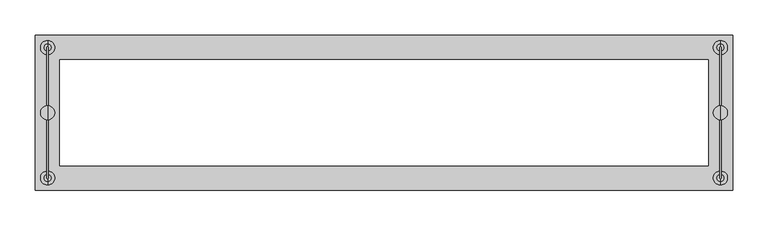
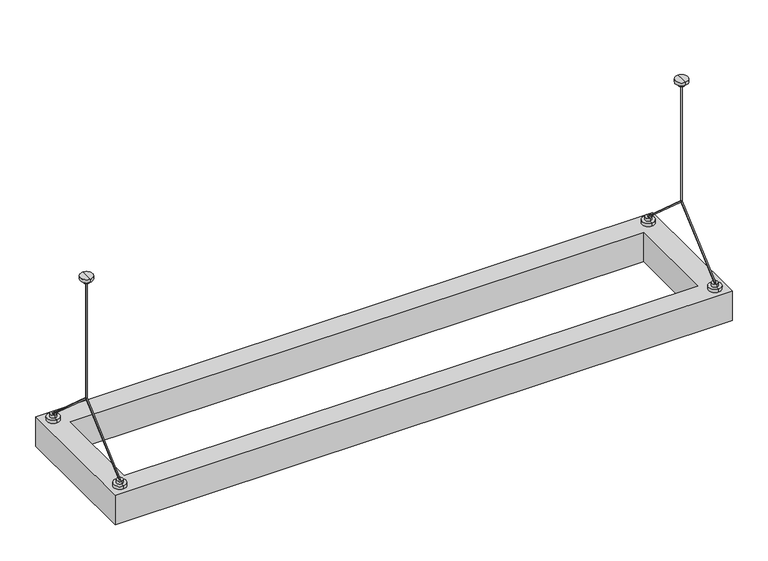
"""IFC4 building model written with IfcOpenShell, lengths in millimetres: light fixture geometry."""

from ifc_helpers import new_model, si_unit, frame, origin, place, context, project, spatial, polyline, circle_curve, ellipse_curve, outline, extrude, source, transform, mapped, element, save
from ifc_brep_helpers import plane_surface, cylinder_surface, advanced_brep


def light_fixture_5dfe9546(model_context):
    return source(origin(), model_context, "Body", "SolidModel", [
        advanced_brep(
        [(853.5, 0.0, -10.0), (853.5, 0.0, -207.5), (851.5, 0.0, -207.5), (851.5, 0.0, -10.0), (852.5, 1.0, -10.0), (852.5, -1.0, -10.0), (853.5, -92.5, -290.0), (852.5, -90.9976297, -290.0), (851.5, -92.5, -290.0), (851.5, 92.5, -290.0), (852.5, 90.9976297, -290.0), (853.5, 92.5, -290.0), (852.5, 82.5, -300.0), (852.5, 102.5, -300.0), (852.5, 92.5, -300.0), (852.5, 82.5, -295.0), (852.5, 102.5, -295.0), (852.5, 87.5, -295.0), (852.5, 97.5, -295.0), (852.5, 87.5, -290.0), (852.5, 97.5, -290.0), (852.5, 93.5, -290.0), (852.5, -102.5, -300.0), (852.5, -82.5, -300.0), (852.5, -92.5, -300.0), (852.5, -102.5, -295.0), (852.5, -82.5, -295.0), (852.5, -97.5, -295.0), (852.5, -87.5, -295.0), (852.5, -97.5, -290.0), (852.5, -87.5, -290.0), (852.5, -93.5, -290.0), (852.5, -5.0, -10.0), (852.5, 5.0, -10.0), (852.5, -5.0, -5.0), (852.5, 5.0, -5.0), (852.5, -10.0, -5.0), (852.5, 10.0, -5.0), (852.5, -10.0, 0.0), (852.5, 10.0, 0.0), (852.5, 0.0, 0.0)],
        [
            (0, 1),
            (1, 2, ellipse_curve(frame((852.5, 0.0, -207.5), z_axis=(0.0, -0.40889188854854597, 0.912582831023685), x_axis=(0.0, 0.9125828310236851, 0.4088918885485457)), 1.0957909, 1.0)),
            (2, 3),
            (3, 4, circle_curve(frame((852.5, 0.0, -10.0), z_axis=(0.0, 0.0, -1.0), x_axis=(1.0, 0.0, 0.0)), 1.0)),
            (4, 0, circle_curve(frame((852.5, 0.0, -10.0), z_axis=(0.0, 0.0, -1.0), x_axis=(1.0, 0.0, 0.0)), 1.0)),
            (0, 5, circle_curve(frame((852.5, 0.0, -10.0), z_axis=(0.0, 0.0, -1.0), x_axis=(1.0, 0.0, 0.0)), 1.0)),
            (5, 3, circle_curve(frame((852.5, 0.0, -10.0), z_axis=(0.0, 0.0, -1.0), x_axis=(1.0, 0.0, 0.0)), 1.0)),
            (2, 1, ellipse_curve(frame((852.5, 0.0, -207.5), z_axis=(0.0, 0.4088918885485265, 0.9125828310236938), x_axis=(0.0, -0.9125828310236939, 0.4088918885485263)), 1.0957909, 1.0)),
            (1, 6),
            (6, 7, ellipse_curve(frame((852.5, -92.5, -290.0), z_axis=(0.0, 0.0, 1.0), x_axis=(0.0, 0.9999999999999999, 0.0)), 1.5023703, 1.0)),
            (7, 8, ellipse_curve(frame((852.5, -92.5, -290.0), z_axis=(0.0, 0.0, 1.0), x_axis=(0.0, 0.9999999999999999, 0.0)), 1.5023703, 1.0)),
            (8, 2),
            (2, 1, ellipse_curve(frame((852.5, 0.0, -207.5), z_axis=(0.0, -0.9999999999999999, 0.0), x_axis=(0.0, 0.0, 1.0)), 1.3399519, 1.0)),
            (8, 6, ellipse_curve(frame((852.5, -92.5, -290.0), z_axis=(0.0, 0.4088918885485264, 0.9125828310236938), x_axis=(0.0, 0.9125828310236936, -0.4088918885485264)), 1.0957909, 1.0)),
            (2, 9),
            (9, 10, ellipse_curve(frame((852.5, 92.5, -290.0), z_axis=(0.0, 0.0, 1.0), x_axis=(0.0, -1.0, 0.0)), 1.5023703, 1.0)),
            (10, 11, ellipse_curve(frame((852.5, 92.5, -290.0), z_axis=(0.0, 0.0, 1.0), x_axis=(0.0, -1.0, 0.0)), 1.5023703, 1.0)),
            (11, 1),
            (11, 9, ellipse_curve(frame((852.5, 92.5, -290.0), z_axis=(0.0, -0.4088918885485461, 0.912582831023685), x_axis=(0.0, -0.9125828310236849, -0.40889188854854636)), 1.0957909, 1.0)),
            (12, 13, circle_curve(frame((852.5, 92.5, -300.0), z_axis=(0.0, 0.0, -1.0), x_axis=(0.0, 1.0, 0.0)), 10.0)),
            (13, 14),
            (14, 12),
            (13, 12, circle_curve(frame((852.5, 92.5, -300.0), z_axis=(0.0, 0.0, -1.0), x_axis=(0.0, 1.0, 0.0)), 10.0)),
            (12, 15),
            (15, 16, circle_curve(frame((852.5, 92.5, -295.0), z_axis=(0.0, 0.0, -1.0), x_axis=(0.0, 1.0, 0.0)), 10.0)),
            (16, 13),
            (16, 15, circle_curve(frame((852.5, 92.5, -295.0), z_axis=(0.0, 0.0, -1.0), x_axis=(0.0, 1.0, 0.0)), 10.0)),
            (15, 17),
            (17, 18, circle_curve(frame((852.5, 92.5, -295.0), z_axis=(0.0, 0.0, -1.0), x_axis=(0.0, 1.0, 0.0)), 5.0)),
            (18, 16),
            (18, 17, circle_curve(frame((852.5, 92.5, -295.0), z_axis=(0.0, 0.0, -1.0), x_axis=(0.0, 1.0, 0.0)), 5.0)),
            (17, 19),
            (19, 20, circle_curve(frame((852.5, 92.5, -290.0), z_axis=(0.0, 0.0, -1.0), x_axis=(0.0, 1.0, 0.0)), 5.0)),
            (20, 18),
            (20, 19, circle_curve(frame((852.5, 92.5, -290.0), z_axis=(0.0, 0.0, -1.0), x_axis=(0.0, 1.0, 0.0)), 5.0)),
            (19, 10),
            (9, 21, circle_curve(frame((852.5, 92.5, -290.0), z_axis=(0.0, 0.0, -1.0), x_axis=(1.0, 0.0, 0.0)), 1.0)),
            (21, 20),
            (21, 11, circle_curve(frame((852.5, 92.5, -290.0), z_axis=(0.0, 0.0, -1.0), x_axis=(1.0, 0.0, 0.0)), 1.0)),
            (22, 23, circle_curve(frame((852.5, -92.5, -300.0), z_axis=(0.0, 0.0, -1.0), x_axis=(0.0, 1.0, 0.0)), 10.0)),
            (23, 24),
            (24, 22),
            (23, 22, circle_curve(frame((852.5, -92.5, -300.0), z_axis=(0.0, 0.0, -1.0), x_axis=(0.0, 1.0, 0.0)), 10.0)),
            (22, 25),
            (25, 26, circle_curve(frame((852.5, -92.5, -295.0), z_axis=(0.0, 0.0, -1.0), x_axis=(0.0, 1.0, 0.0)), 10.0)),
            (26, 23),
            (26, 25, circle_curve(frame((852.5, -92.5, -295.0), z_axis=(0.0, 0.0, -1.0), x_axis=(0.0, 1.0, 0.0)), 10.0)),
            (25, 27),
            (27, 28, circle_curve(frame((852.5, -92.5, -295.0), z_axis=(0.0, 0.0, -1.0), x_axis=(0.0, 1.0, 0.0)), 5.0)),
            (28, 26),
            (28, 27, circle_curve(frame((852.5, -92.5, -295.0), z_axis=(0.0, 0.0, -1.0), x_axis=(0.0, 1.0, 0.0)), 5.0)),
            (27, 29),
            (29, 30, circle_curve(frame((852.5, -92.5, -290.0), z_axis=(0.0, 0.0, -1.0), x_axis=(0.0, 1.0, 0.0)), 5.0)),
            (30, 28),
            (30, 29, circle_curve(frame((852.5, -92.5, -290.0), z_axis=(0.0, 0.0, -1.0), x_axis=(0.0, 1.0, 0.0)), 5.0)),
            (29, 31),
            (31, 8, circle_curve(frame((852.5, -92.5, -290.0), z_axis=(0.0, 0.0, -1.0), x_axis=(1.0, 0.0, 0.0)), 1.0)),
            (7, 30),
            (6, 31, circle_curve(frame((852.5, -92.5, -290.0), z_axis=(0.0, 0.0, -1.0), x_axis=(1.0, 0.0, 0.0)), 1.0)),
            (32, 33, circle_curve(frame((852.5, 0.0, -10.0), z_axis=(0.0, 0.0, -1.0), x_axis=(0.0, 1.0, 0.0)), 5.0)),
            (33, 4),
            (5, 32),
            (33, 32, circle_curve(frame((852.5, 0.0, -10.0), z_axis=(0.0, 0.0, -1.0), x_axis=(0.0, 1.0, 0.0)), 5.0)),
            (32, 34),
            (34, 35, circle_curve(frame((852.5, 0.0, -5.0), z_axis=(0.0, 0.0, -1.0), x_axis=(0.0, 1.0, 0.0)), 5.0)),
            (35, 33),
            (35, 34, circle_curve(frame((852.5, 0.0, -5.0), z_axis=(0.0, 0.0, -1.0), x_axis=(0.0, 1.0, 0.0)), 5.0)),
            (34, 36),
            (36, 37, circle_curve(frame((852.5, 0.0, -5.0), z_axis=(0.0, 0.0, -1.0), x_axis=(0.0, 1.0, 0.0)), 10.0)),
            (37, 35),
            (37, 36, circle_curve(frame((852.5, 0.0, -5.0), z_axis=(0.0, 0.0, -1.0), x_axis=(0.0, 1.0, 0.0)), 10.0)),
            (36, 38),
            (38, 39, circle_curve(frame((852.5, 0.0, 0.0), z_axis=(0.0, 0.0, -1.0), x_axis=(0.0, 1.0, 0.0)), 10.0)),
            (39, 37),
            (39, 38, circle_curve(frame((852.5, 0.0, 0.0), z_axis=(0.0, 0.0, -1.0), x_axis=(0.0, 1.0, 0.0)), 10.0)),
            (38, 40),
            (40, 39),
        ],
        [
            cylinder_surface(frame((852.5, 0.0, -10.0), z_axis=(0.0, 0.0, 1.0), x_axis=(1.0, 0.0, 0.0)), 1.0),
            cylinder_surface(frame((852.5, 0.0, -207.5), z_axis=(0.0, 0.7462954344684778, 0.665614846958439), x_axis=(1.0, 0.0, 0.0)), 1.0),
            cylinder_surface(frame((852.5, 0.0, -207.5), z_axis=(0.0, -0.7462954344685063, 0.6656148469584069), x_axis=(1.0, 0.0, 0.0)), 1.0),
            plane_surface(frame((852.5, 92.5, -300.0), z_axis=(0.0, 0.0, -1.0), x_axis=(0.0, 1.0, 0.0))),
            cylinder_surface(frame((852.5, 92.5, -604.8), z_axis=(0.0, 0.0, 1.0), x_axis=(0.0, 1.0, 0.0)), 10.0),
            plane_surface(frame((852.5, 92.5, -295.0), z_axis=(0.0, 0.0, 1.0), x_axis=(0.0, 1.0, 0.0))),
            cylinder_surface(frame((852.5, 92.5, -604.8), z_axis=(0.0, 0.0, 1.0), x_axis=(0.0, 1.0, 0.0)), 5.0),
            plane_surface(frame((852.5, 92.5, -290.0), z_axis=(0.0, 0.0, 1.0), x_axis=(0.0, 1.0, 0.0))),
            plane_surface(frame((852.5, -92.5, -300.0), z_axis=(0.0, 0.0, -1.0), x_axis=(0.0, 1.0, 0.0))),
            cylinder_surface(frame((852.5, -92.5, -604.8), z_axis=(0.0, 0.0, 1.0), x_axis=(0.0, 1.0, 0.0)), 10.0),
            plane_surface(frame((852.5, -92.5, -295.0), z_axis=(0.0, 0.0, 1.0), x_axis=(0.0, 1.0, 0.0))),
            cylinder_surface(frame((852.5, -92.5, -604.8), z_axis=(0.0, 0.0, 1.0), x_axis=(0.0, 1.0, 0.0)), 5.0),
            plane_surface(frame((852.5, -92.5, -290.0), z_axis=(0.0, 0.0, 1.0), x_axis=(0.0, 1.0, 0.0))),
            plane_surface(frame((852.5, 0.0, -10.0), z_axis=(0.0, 0.0, -1.0), x_axis=(0.0, 1.0, 0.0))),
            cylinder_surface(frame((852.5, 0.0, 2141.4742198), z_axis=(0.0, 0.0, 1.0), x_axis=(0.0, 1.0, 0.0)), 5.0),
            plane_surface(frame((852.5, 0.0, -5.0), z_axis=(0.0, 0.0, -1.0), x_axis=(0.0, 1.0, 0.0))),
            cylinder_surface(frame((852.5, 0.0, 2141.4742198), z_axis=(0.0, 0.0, 1.0), x_axis=(0.0, 1.0, 0.0)), 10.0),
            plane_surface(frame((852.5, 0.0, 0.0), z_axis=(0.0, 0.0, 1.0), x_axis=(0.0, 1.0, 0.0))),
            cylinder_surface(frame((852.5, 92.5, -290.0), z_axis=(0.0, 0.0, 1.0), x_axis=(1.0, 0.0, 0.0)), 1.0),
            cylinder_surface(frame((852.5, -92.5, -290.0), z_axis=(0.0, 0.0, 1.0), x_axis=(1.0, 0.0, 0.0)), 1.0),
        ],
        [
            (0, [[1, 2, 3, 4, 5]]),
            (0, [[-1, 6, 7, -3, 8]]),
            (1, [[9, 10, 11, 12, 13]]),
            (1, [[-8, -12, 14, -9]]),
            (2, [[15, 16, 17, 18, -13]]),
            (2, [[-15, -2, -18, 19]]),
            (3, [[20, 21, 22]]),
            (3, [[-21, 23, -22]]),
            (4, [[-20, 24, 25, 26]]),
            (4, [[-23, -26, 27, -24]]),
            (5, [[-25, 28, 29, 30]]),
            (5, [[-27, -30, 31, -28]]),
            (6, [[-29, 32, 33, 34]]),
            (6, [[-31, -34, 35, -32]]),
            (7, [[-33, 36, -16, 37, 38]]),
            (7, [[-35, -38, 39, -17, -36]]),
            (8, [[40, 41, 42]]),
            (8, [[-41, 43, -42]]),
            (9, [[-40, 44, 45, 46]]),
            (9, [[-43, -46, 47, -44]]),
            (10, [[-45, 48, 49, 50]]),
            (10, [[-47, -50, 51, -48]]),
            (11, [[-49, 52, 53, 54]]),
            (11, [[-51, -54, 55, -52]]),
            (12, [[-53, 56, 57, -11, 58]]),
            (12, [[-55, -58, -10, 59, -56]]),
            (13, [[60, 61, -4, -7, 62]]),
            (13, [[63, -62, -6, -5, -61]]),
            (14, [[-60, 64, 65, 66]]),
            (14, [[-63, -66, 67, -64]]),
            (15, [[-65, 68, 69, 70]]),
            (15, [[-67, -70, 71, -68]]),
            (16, [[-69, 72, 73, 74]]),
            (16, [[-71, -74, 75, -72]]),
            (17, [[-73, 76, 77]]),
            (17, [[-75, -77, -76]]),
            (18, [[-19, -39, -37]]),
            (19, [[-14, -57, -59]]),
        ],
    ),
        advanced_brep(
        [(-101.5, 0.0, -10.0), (-101.5, 0.0, -207.5), (-103.5, 0.0, -207.5), (-103.5, 0.0, -10.0), (-102.5, 1.0, -10.0), (-102.5, -1.0, -10.0), (-101.5, -92.5, -290.0), (-102.5, -90.9976297, -290.0), (-103.5, -92.5, -290.0), (-103.5, 92.5, -290.0), (-102.5, 90.9976297, -290.0), (-101.5, 92.5, -290.0), (-102.5, 82.5, -300.0), (-102.5, 102.5, -300.0), (-102.5, 92.5, -300.0), (-102.5, 82.5, -295.0), (-102.5, 102.5, -295.0), (-102.5, 87.5, -295.0), (-102.5, 97.5, -295.0), (-102.5, 87.5, -290.0), (-102.5, 97.5, -290.0), (-102.5, 93.5, -290.0), (-102.5, -102.5, -300.0), (-102.5, -82.5, -300.0), (-102.5, -92.5, -300.0), (-102.5, -102.5, -295.0), (-102.5, -82.5, -295.0), (-102.5, -97.5, -295.0), (-102.5, -87.5, -295.0), (-102.5, -97.5, -290.0), (-102.5, -87.5, -290.0), (-102.5, -93.5, -290.0), (-102.5, -5.0, -10.0), (-102.5, 5.0, -10.0), (-102.5, -5.0, -5.0), (-102.5, 5.0, -5.0), (-102.5, -10.0, -5.0), (-102.5, 10.0, -5.0), (-102.5, -10.0, 0.0), (-102.5, 10.0, 0.0), (-102.5, 0.0, 0.0)],
        [
            (0, 1),
            (1, 2, ellipse_curve(frame((-102.5, 0.0, -207.5), z_axis=(0.0, -0.40889188854854597, 0.912582831023685), x_axis=(0.0, 0.9125828310236851, 0.4088918885485457)), 1.0957909, 1.0)),
            (2, 3),
            (3, 4, circle_curve(frame((-102.5, 0.0, -10.0), z_axis=(0.0, 0.0, -1.0), x_axis=(1.0, 0.0, 0.0)), 1.0)),
            (4, 0, circle_curve(frame((-102.5, 0.0, -10.0), z_axis=(0.0, 0.0, -1.0), x_axis=(1.0, 0.0, 0.0)), 1.0)),
            (0, 5, circle_curve(frame((-102.5, 0.0, -10.0), z_axis=(0.0, 0.0, -1.0), x_axis=(1.0, 0.0, 0.0)), 1.0)),
            (5, 3, circle_curve(frame((-102.5, 0.0, -10.0), z_axis=(0.0, 0.0, -1.0), x_axis=(1.0, 0.0, 0.0)), 1.0)),
            (2, 1, ellipse_curve(frame((-102.5, 0.0, -207.5), z_axis=(0.0, 0.4088918885485265, 0.9125828310236938), x_axis=(0.0, -0.9125828310236939, 0.4088918885485263)), 1.0957909, 1.0)),
            (1, 6),
            (6, 7, ellipse_curve(frame((-102.5, -92.5, -290.0), z_axis=(0.0, 0.0, 1.0), x_axis=(0.0, 0.9999999999999999, 0.0)), 1.5023703, 1.0)),
            (7, 8, ellipse_curve(frame((-102.5, -92.5, -290.0), z_axis=(0.0, 0.0, 1.0), x_axis=(0.0, 0.9999999999999999, 0.0)), 1.5023703, 1.0)),
            (8, 2),
            (2, 1, ellipse_curve(frame((-102.5, 0.0, -207.5), z_axis=(0.0, -0.9999999999999999, 0.0), x_axis=(0.0, 0.0, 1.0)), 1.3399519, 1.0)),
            (8, 6, ellipse_curve(frame((-102.5, -92.5, -290.0), z_axis=(0.0, 0.4088918885485264, 0.9125828310236938), x_axis=(0.0, 0.9125828310236936, -0.4088918885485264)), 1.0957909, 1.0)),
            (2, 9),
            (9, 10, ellipse_curve(frame((-102.5, 92.5, -290.0), z_axis=(0.0, 0.0, 1.0), x_axis=(0.0, -1.0, 0.0)), 1.5023703, 1.0)),
            (10, 11, ellipse_curve(frame((-102.5, 92.5, -290.0), z_axis=(0.0, 0.0, 1.0), x_axis=(0.0, -1.0, 0.0)), 1.5023703, 1.0)),
            (11, 1),
            (11, 9, ellipse_curve(frame((-102.5, 92.5, -290.0), z_axis=(0.0, -0.4088918885485461, 0.912582831023685), x_axis=(0.0, -0.9125828310236849, -0.40889188854854636)), 1.0957909, 1.0)),
            (12, 13, circle_curve(frame((-102.5, 92.5, -300.0), z_axis=(0.0, 0.0, -1.0), x_axis=(0.0, 1.0, 0.0)), 10.0)),
            (13, 14),
            (14, 12),
            (13, 12, circle_curve(frame((-102.5, 92.5, -300.0), z_axis=(0.0, 0.0, -1.0), x_axis=(0.0, 1.0, 0.0)), 10.0)),
            (12, 15),
            (15, 16, circle_curve(frame((-102.5, 92.5, -295.0), z_axis=(0.0, 0.0, -1.0), x_axis=(0.0, 1.0, 0.0)), 10.0)),
            (16, 13),
            (16, 15, circle_curve(frame((-102.5, 92.5, -295.0), z_axis=(0.0, 0.0, -1.0), x_axis=(0.0, 1.0, 0.0)), 10.0)),
            (15, 17),
            (17, 18, circle_curve(frame((-102.5, 92.5, -295.0), z_axis=(0.0, 0.0, -1.0), x_axis=(0.0, 1.0, 0.0)), 5.0)),
            (18, 16),
            (18, 17, circle_curve(frame((-102.5, 92.5, -295.0), z_axis=(0.0, 0.0, -1.0), x_axis=(0.0, 1.0, 0.0)), 5.0)),
            (17, 19),
            (19, 20, circle_curve(frame((-102.5, 92.5, -290.0), z_axis=(0.0, 0.0, -1.0), x_axis=(0.0, 1.0, 0.0)), 5.0)),
            (20, 18),
            (20, 19, circle_curve(frame((-102.5, 92.5, -290.0), z_axis=(0.0, 0.0, -1.0), x_axis=(0.0, 1.0, 0.0)), 5.0)),
            (19, 10),
            (9, 21, circle_curve(frame((-102.5, 92.5, -290.0), z_axis=(0.0, 0.0, -1.0), x_axis=(1.0, 0.0, 0.0)), 1.0)),
            (21, 20),
            (21, 11, circle_curve(frame((-102.5, 92.5, -290.0), z_axis=(0.0, 0.0, -1.0), x_axis=(1.0, 0.0, 0.0)), 1.0)),
            (22, 23, circle_curve(frame((-102.5, -92.5, -300.0), z_axis=(0.0, 0.0, -1.0), x_axis=(0.0, 1.0, 0.0)), 10.0)),
            (23, 24),
            (24, 22),
            (23, 22, circle_curve(frame((-102.5, -92.5, -300.0), z_axis=(0.0, 0.0, -1.0), x_axis=(0.0, 1.0, 0.0)), 10.0)),
            (22, 25),
            (25, 26, circle_curve(frame((-102.5, -92.5, -295.0), z_axis=(0.0, 0.0, -1.0), x_axis=(0.0, 1.0, 0.0)), 10.0)),
            (26, 23),
            (26, 25, circle_curve(frame((-102.5, -92.5, -295.0), z_axis=(0.0, 0.0, -1.0), x_axis=(0.0, 1.0, 0.0)), 10.0)),
            (25, 27),
            (27, 28, circle_curve(frame((-102.5, -92.5, -295.0), z_axis=(0.0, 0.0, -1.0), x_axis=(0.0, 1.0, 0.0)), 5.0)),
            (28, 26),
            (28, 27, circle_curve(frame((-102.5, -92.5, -295.0), z_axis=(0.0, 0.0, -1.0), x_axis=(0.0, 1.0, 0.0)), 5.0)),
            (27, 29),
            (29, 30, circle_curve(frame((-102.5, -92.5, -290.0), z_axis=(0.0, 0.0, -1.0), x_axis=(0.0, 1.0, 0.0)), 5.0)),
            (30, 28),
            (30, 29, circle_curve(frame((-102.5, -92.5, -290.0), z_axis=(0.0, 0.0, -1.0), x_axis=(0.0, 1.0, 0.0)), 5.0)),
            (29, 31),
            (31, 8, circle_curve(frame((-102.5, -92.5, -290.0), z_axis=(0.0, 0.0, -1.0), x_axis=(1.0, 0.0, 0.0)), 1.0)),
            (7, 30),
            (6, 31, circle_curve(frame((-102.5, -92.5, -290.0), z_axis=(0.0, 0.0, -1.0), x_axis=(1.0, 0.0, 0.0)), 1.0)),
            (32, 33, circle_curve(frame((-102.5, 0.0, -10.0), z_axis=(0.0, 0.0, -1.0), x_axis=(0.0, 1.0, 0.0)), 5.0)),
            (33, 4),
            (5, 32),
            (33, 32, circle_curve(frame((-102.5, 0.0, -10.0), z_axis=(0.0, 0.0, -1.0), x_axis=(0.0, 1.0, 0.0)), 5.0)),
            (32, 34),
            (34, 35, circle_curve(frame((-102.5, 0.0, -5.0), z_axis=(0.0, 0.0, -1.0), x_axis=(0.0, 1.0, 0.0)), 5.0)),
            (35, 33),
            (35, 34, circle_curve(frame((-102.5, 0.0, -5.0), z_axis=(0.0, 0.0, -1.0), x_axis=(0.0, 1.0, 0.0)), 5.0)),
            (34, 36),
            (36, 37, circle_curve(frame((-102.5, 0.0, -5.0), z_axis=(0.0, 0.0, -1.0), x_axis=(0.0, 1.0, 0.0)), 10.0)),
            (37, 35),
            (37, 36, circle_curve(frame((-102.5, 0.0, -5.0), z_axis=(0.0, 0.0, -1.0), x_axis=(0.0, 1.0, 0.0)), 10.0)),
            (36, 38),
            (38, 39, circle_curve(frame((-102.5, 0.0, 0.0), z_axis=(0.0, 0.0, -1.0), x_axis=(0.0, 1.0, 0.0)), 10.0)),
            (39, 37),
            (39, 38, circle_curve(frame((-102.5, 0.0, 0.0), z_axis=(0.0, 0.0, -1.0), x_axis=(0.0, 1.0, 0.0)), 10.0)),
            (38, 40),
            (40, 39),
        ],
        [
            cylinder_surface(frame((-102.5, 0.0, -10.0), z_axis=(0.0, 0.0, 1.0), x_axis=(1.0, 0.0, 0.0)), 1.0),
            cylinder_surface(frame((-102.5, 0.0, -207.5), z_axis=(0.0, 0.7462954344684778, 0.665614846958439), x_axis=(1.0, 0.0, 0.0)), 1.0),
            cylinder_surface(frame((-102.5, 0.0, -207.5), z_axis=(0.0, -0.7462954344685063, 0.6656148469584069), x_axis=(1.0, 0.0, 0.0)), 1.0),
            plane_surface(frame((-102.5, 92.5, -300.0), z_axis=(0.0, 0.0, -1.0), x_axis=(0.0, 1.0, 0.0))),
            cylinder_surface(frame((-102.5, 92.5, -604.8), z_axis=(0.0, 0.0, 1.0), x_axis=(0.0, 1.0, 0.0)), 10.0),
            plane_surface(frame((-102.5, 92.5, -295.0), z_axis=(0.0, 0.0, 1.0), x_axis=(0.0, 1.0, 0.0))),
            cylinder_surface(frame((-102.5, 92.5, -604.8), z_axis=(0.0, 0.0, 1.0), x_axis=(0.0, 1.0, 0.0)), 5.0),
            plane_surface(frame((-102.5, 92.5, -290.0), z_axis=(0.0, 0.0, 1.0), x_axis=(0.0, 1.0, 0.0))),
            plane_surface(frame((-102.5, -92.5, -300.0), z_axis=(0.0, 0.0, -1.0), x_axis=(0.0, 1.0, 0.0))),
            cylinder_surface(frame((-102.5, -92.5, -604.8), z_axis=(0.0, 0.0, 1.0), x_axis=(0.0, 1.0, 0.0)), 10.0),
            plane_surface(frame((-102.5, -92.5, -295.0), z_axis=(0.0, 0.0, 1.0), x_axis=(0.0, 1.0, 0.0))),
            cylinder_surface(frame((-102.5, -92.5, -604.8), z_axis=(0.0, 0.0, 1.0), x_axis=(0.0, 1.0, 0.0)), 5.0),
            plane_surface(frame((-102.5, -92.5, -290.0), z_axis=(0.0, 0.0, 1.0), x_axis=(0.0, 1.0, 0.0))),
            plane_surface(frame((-102.5, 0.0, -10.0), z_axis=(0.0, 0.0, -1.0), x_axis=(0.0, 1.0, 0.0))),
            cylinder_surface(frame((-102.5, 0.0, 2141.4742198), z_axis=(0.0, 0.0, 1.0), x_axis=(0.0, 1.0, 0.0)), 5.0),
            plane_surface(frame((-102.5, 0.0, -5.0), z_axis=(0.0, 0.0, -1.0), x_axis=(0.0, 1.0, 0.0))),
            cylinder_surface(frame((-102.5, 0.0, 2141.4742198), z_axis=(0.0, 0.0, 1.0), x_axis=(0.0, 1.0, 0.0)), 10.0),
            plane_surface(frame((-102.5, 0.0, 0.0), z_axis=(0.0, 0.0, 1.0), x_axis=(0.0, 1.0, 0.0))),
            cylinder_surface(frame((-102.5, 92.5, -290.0), z_axis=(0.0, 0.0, 1.0), x_axis=(1.0, 0.0, 0.0)), 1.0),
            cylinder_surface(frame((-102.5, -92.5, -290.0), z_axis=(0.0, 0.0, 1.0), x_axis=(1.0, 0.0, 0.0)), 1.0),
        ],
        [
            (0, [[1, 2, 3, 4, 5]]),
            (0, [[-1, 6, 7, -3, 8]]),
            (1, [[9, 10, 11, 12, 13]]),
            (1, [[-8, -12, 14, -9]]),
            (2, [[15, 16, 17, 18, -13]]),
            (2, [[-15, -2, -18, 19]]),
            (3, [[20, 21, 22]]),
            (3, [[-21, 23, -22]]),
            (4, [[-20, 24, 25, 26]]),
            (4, [[-23, -26, 27, -24]]),
            (5, [[-25, 28, 29, 30]]),
            (5, [[-27, -30, 31, -28]]),
            (6, [[-29, 32, 33, 34]]),
            (6, [[-31, -34, 35, -32]]),
            (7, [[-33, 36, -16, 37, 38]]),
            (7, [[-35, -38, 39, -17, -36]]),
            (8, [[40, 41, 42]]),
            (8, [[-41, 43, -42]]),
            (9, [[-40, 44, 45, 46]]),
            (9, [[-43, -46, 47, -44]]),
            (10, [[-45, 48, 49, 50]]),
            (10, [[-47, -50, 51, -48]]),
            (11, [[-49, 52, 53, 54]]),
            (11, [[-51, -54, 55, -52]]),
            (12, [[-53, 56, 57, -11, 58]]),
            (12, [[-55, -58, -10, 59, -56]]),
            (13, [[60, 61, -4, -7, 62]]),
            (13, [[63, -62, -6, -5, -61]]),
            (14, [[-60, 64, 65, 66]]),
            (14, [[-63, -66, 67, -64]]),
            (15, [[-65, 68, 69, 70]]),
            (15, [[-67, -70, 71, -68]]),
            (16, [[-69, 72, 73, 74]]),
            (16, [[-71, -74, 75, -72]]),
            (17, [[-73, 76, 77]]),
            (17, [[-75, -77, -76]]),
            (18, [[-19, -39, -37]]),
            (19, [[-14, -57, -59]]),
        ],
    ),
        extrude(outline(polyline([(870.0, 110.0), (870.0, -110.0), (-120.0, -110.0), (-120.0, 110.0), (870.0, 110.0)]), holes=[polyline([(835.0, 75.0), (-85.0, 75.0), (-85.0, -75.0), (835.0, -75.0), (835.0, 75.0)])]), frame((0.0, 0.0, -350.0), z_axis=(0.0, 0.0, 1.0), x_axis=(1.0, 0.0, 0.0)), (0.0, 0.0, 1.0), 50.0),
    ])


if __name__ == "__main__":
    model = new_model("IFC4")
    model_context = context("Model", 3, world=origin())
    ifc_project = project(units=[si_unit("LENGTHUNIT", "METRE", prefix="MILLI")], contexts=[model_context])
    site = spatial("IfcSite", under=ifc_project)
    building = spatial("IfcBuilding", under=site)
    placement = place(None, origin())
    light_fixture_shape = light_fixture_5dfe9546(model_context)
    element("IfcLightFixture", 1, at=placement, inside=building, context=model_context, shape_type="MappedRepresentation", body=[
        mapped(light_fixture_shape, transform((0.0, 0.0, 0.0), x_axis=(1.0, 0.0, 0.0), y_axis=(0.0, 1.0, 0.0), z_axis=(0.0, 0.0, 1.0))),
    ])
    save(model, "model.ifc")
